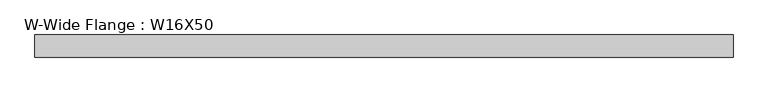
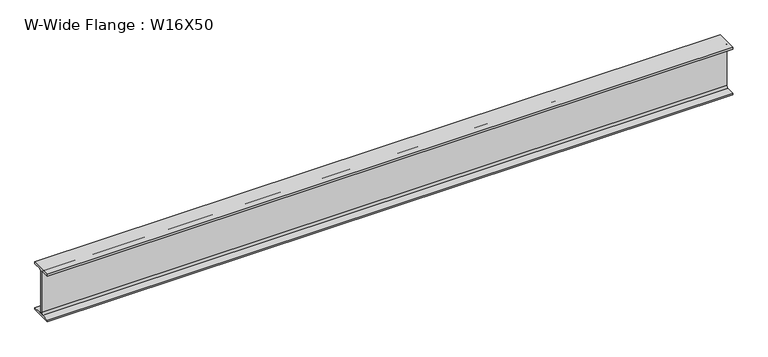
"""IFC4 building model written with IfcOpenShell, lengths in millimetres: beam geometry, W-Wide Flange : W16X50."""

import ifcopenshell
import ifcopenshell.guid

model = None  # the IFC model being written
_history = None  # IfcOwnerHistory: only IFC2X3 demands one
_inside = {}  # id of a spatial element -> (the spatial element, [elements in it])
_under = {}  # id of a project, library or spatial element -> (it, [spatial elements below it])
_declared = {}  # id of a project -> (the project, [libraries it declares])
_typed = {}  # id of a type object -> (the type object, [elements of that type])
_made_of = {}  # id of a material, layer set ... -> (it, [elements and type objects made of it])


def new_model(schema):
    """Start an empty IFC model of exactly this schema.

    Asked for "IFC4X3", IfcOpenShell would pick the latest addendum, in which some entities
    have other attributes; the version numbers below select the first issue.
    IFC2X3 requires an IfcOwnerHistory on every rooted entity: one is made here for all.
    """
    global model, _history
    if schema == "IFC4X3":
        model = ifcopenshell.file(schema_version=(4, 3, 0, 0))
    else:
        model = ifcopenshell.file(schema=schema)
    _inside.clear()
    _under.clear()
    _declared.clear()
    _typed.clear()
    _made_of.clear()
    _history = None
    if model.schema == "IFC2X3":
        org = make("IfcOrganization", Name="unknown")
        user = make(
            "IfcPersonAndOrganization",
            ThePerson=make("IfcPerson", FamilyName="unknown"),
            TheOrganization=org,
        )
        app = make(
            "IfcApplication",
            ApplicationDeveloper=org,
            Version="unknown",
            ApplicationFullName="unknown",
            ApplicationIdentifier="unknown",
        )
        _history = make(
            "IfcOwnerHistory",
            OwningUser=user,
            OwningApplication=app,
            ChangeAction="ADDED",
            CreationDate=0,
        )
    return model


def make(cls, **values):
    """One entity of the class cls with the attributes given. An attribute that is None is left unset."""
    return model.create_entity(
        cls, **{name: value for name, value in values.items() if value is not None}
    )


def rooted(cls, **values):
    """An entity with a GlobalId (a new one), such as an element, a storey or a relation."""
    return make(cls, GlobalId=ifcopenshell.guid.new(), OwnerHistory=_history, **values)


def si_unit(unit_type, name, prefix=None):
    """IfcSIUnit, for example si_unit("LENGTHUNIT", "METRE", prefix="MILLI")."""
    return make("IfcSIUnit", UnitType=unit_type, Prefix=prefix, Name=name)


def assignment(units):
    """IfcUnitAssignment: the units of a project."""
    return None if units is None else make("IfcUnitAssignment", Units=units)


def point(xyz):
    """IfcCartesianPoint."""
    return None if xyz is None else make("IfcCartesianPoint", Coordinates=xyz)


def direction(xyz):
    """IfcDirection."""
    return None if xyz is None else make("IfcDirection", DirectionRatios=xyz)


def frame(location, z_axis=None, x_axis=None):
    """IfcAxis2Placement3D, a coordinate frame: its origin and axes. An axis left out is left unset."""
    return make(
        "IfcAxis2Placement3D",
        Location=point(location),
        Axis=direction(z_axis),
        RefDirection=direction(x_axis),
    )


def frame_2d(location, x_axis=None):
    """IfcAxis2Placement2D, a coordinate frame in the plane: its origin and x axis."""
    return make(
        "IfcAxis2Placement2D", Location=point(location), RefDirection=direction(x_axis)
    )


def origin():
    """The frame at (0, 0, 0) with its axes left unset."""
    return frame((0.0, 0.0, 0.0))


def place(relative_to, where):
    """IfcLocalPlacement: puts the frame where relative to a parent placement (None: the world)."""
    return make(
        "IfcLocalPlacement", PlacementRelTo=relative_to, RelativePlacement=where
    )


def context(
    kind, dimensions, precision=None, world=None, true_north=None, identifier=None
):
    """IfcGeometricRepresentationContext, for example the 3D "Model" context."""
    return make(
        "IfcGeometricRepresentationContext",
        ContextIdentifier=identifier,
        ContextType=kind,
        CoordinateSpaceDimension=dimensions,
        Precision=precision,
        WorldCoordinateSystem=world,
        TrueNorth=true_north,
    )


def project(units=None, contexts=None):
    """IfcProject with its units and contexts."""
    return rooted(
        "IfcProject",
        Name="project",
        RepresentationContexts=contexts,
        UnitsInContext=assignment(units),
    )


def spatial(cls, under=None, at=None, **own):
    """A site, building, storey or space (cls), placed at a placement, below another one or the project."""
    s = rooted(cls, ObjectPlacement=at, **own)
    if under is not None:
        _under.setdefault(under.id(), (under, []))[1].append(s)
    return s


def polyline(points):
    """IfcPolyline through the points."""
    return make("IfcPolyline", Points=[point(p) for p in points])


def circle_curve(where, radius):
    """IfcCircle in the frame where."""
    return make("IfcCircle", Position=where, Radius=radius)


def trimmed(basis, trim1, trim2, sense, master):
    """IfcTrimmedCurve: the piece of a basis curve between two trims."""
    return make(
        "IfcTrimmedCurve",
        BasisCurve=basis,
        Trim1=trim1,
        Trim2=trim2,
        SenseAgreement=sense,
        MasterRepresentation=master,
    )


def segment(curve, same_sense, transition):
    """IfcCompositeCurveSegment."""
    return make(
        "IfcCompositeCurveSegment",
        Transition=transition,
        SameSense=same_sense,
        ParentCurve=curve,
    )


def composite_curve(segments, self_intersect=None):
    """IfcCompositeCurve: segments joined end to end."""
    return make("IfcCompositeCurve", Segments=segments, SelfIntersect=self_intersect)


def outline(outer, holes=None, kind="AREA"):
    """IfcArbitraryClosedProfileDef: a profile drawn as a closed curve; with holes, ...WithVoids."""
    if holes is None:
        return make("IfcArbitraryClosedProfileDef", ProfileType=kind, OuterCurve=outer)
    return make(
        "IfcArbitraryProfileDefWithVoids",
        ProfileType=kind,
        OuterCurve=outer,
        InnerCurves=holes,
    )


def extrude(swept, where, along, depth):
    """IfcExtrudedAreaSolid: the profile swept, set in the frame where, extruded along a direction by depth."""
    return make(
        "IfcExtrudedAreaSolid",
        SweptArea=swept,
        Position=where,
        ExtrudedDirection=direction(along),
        Depth=depth,
    )


def shape(context_of_items, identifier, shape_type, items):
    """IfcShapeRepresentation: the items that make up one representation, for example the "Body"."""
    return make(
        "IfcShapeRepresentation",
        ContextOfItems=context_of_items,
        RepresentationIdentifier=identifier,
        RepresentationType=shape_type,
        Items=items,
    )


def source(mapping_origin, context_of_items, identifier, shape_type, items):
    """IfcRepresentationMap: a shape defined once, which mapped items show again and again."""
    return make(
        "IfcRepresentationMap",
        MappingOrigin=mapping_origin,
        MappedRepresentation=shape(context_of_items, identifier, shape_type, items),
    )


def transform(
    local_origin,
    x_axis=None,
    y_axis=None,
    z_axis=None,
    scale=None,
    scale2=None,
    scale3=None,
    uniform=True,
):
    """IfcCartesianTransformationOperator3D, or its non-uniform kind. x_axis, y_axis, z_axis: its Axis1, 2, 3."""
    if uniform:
        return make(
            "IfcCartesianTransformationOperator3D",
            Axis1=direction(x_axis),
            Axis2=direction(y_axis),
            LocalOrigin=point(local_origin),
            Scale=scale,
            Axis3=direction(z_axis),
        )
    return make(
        "IfcCartesianTransformationOperator3DnonUniform",
        Axis1=direction(x_axis),
        Axis2=direction(y_axis),
        LocalOrigin=point(local_origin),
        Scale=scale,
        Axis3=direction(z_axis),
        Scale2=scale2,
        Scale3=scale3,
    )


def mapped(mapping_source, mapping_target):
    """IfcMappedItem: shows the shape of a source again, moved by a transform."""
    return make(
        "IfcMappedItem", MappingSource=mapping_source, MappingTarget=mapping_target
    )


def made_of(thing, what):
    """Note that an element or type object is made of a material, layer set ...; save() writes the relation."""
    if what is not None:
        _made_of.setdefault(what.id(), (what, []))[1].append(thing)
    return thing


def element(
    cls,
    number,
    at=None,
    inside=None,
    cuts=None,
    type_object=None,
    material=None,
    context=None,
    identifier="Body",
    shape_type=None,
    held_by="IfcProductDefinitionShape",
    body=None,
    shapes=None,
    **own,
):
    """One element of the class cls, such as IfcWall. Its Tag is "e" and its number.

    at: its placement. inside: the storey or other place that contains it. cuts: it is an
    opening in that element (IfcRelVoidsElement). A single representation is given by context,
    identifier, shape_type and body (its items); several are given by shapes. held_by: the class
    of the entity that holds the representations. save() writes the other relations.
    """
    e = rooted(cls, Tag="e%d" % number, ObjectPlacement=at, **own)
    if body is not None:
        shapes = [shape(context, identifier, shape_type, body)]
    if shapes is not None:
        e.Representation = make(held_by, Representations=shapes)
    if inside is not None:
        _inside.setdefault(inside.id(), (inside, []))[1].append(e)
    if cuts is not None:
        rooted(
            "IfcRelVoidsElement", RelatingBuildingElement=cuts, RelatedOpeningElement=e
        )
    if type_object is not None:
        _typed.setdefault(type_object.id(), (type_object, []))[1].append(e)
    return made_of(e, material)


def aggregate(whole, parts):
    """IfcRelAggregates: a whole, such as a stair, and the parts it consists of."""
    return rooted("IfcRelAggregates", RelatingObject=whole, RelatedObjects=parts)


def save(model, path):
    """Write the relations noted so far, then the file.

    IfcRelAggregates (storeys below a building ...), IfcRelContainedInSpatialStructure (elements
    in a storey), IfcRelDefinesByType, IfcRelAssociatesMaterial and IfcRelDeclares: one each for
    every whole, place, type object, material and project.
    """
    for whole, parts in _under.values():
        aggregate(whole, parts)
    for where, things in _inside.values():
        rooted(
            "IfcRelContainedInSpatialStructure",
            RelatedElements=things,
            RelatingStructure=where,
        )
    for kind, things in _typed.values():
        rooted("IfcRelDefinesByType", RelatedObjects=things, RelatingType=kind)
    for what, things in _made_of.values():
        rooted("IfcRelAssociatesMaterial", RelatedObjects=things, RelatingMaterial=what)
    for by, libraries in _declared.values():
        rooted("IfcRelDeclares", RelatingContext=by, RelatedDefinitions=libraries)
    model.write(path)


def w_wide_flange_w16x50_ec7e0fb9(model_context):
    return source(origin(), model_context, "Body", "SweptSolid", [
        extrude(outline(composite_curve([segment(polyline([(89.8, -191.0), (89.8, -207.0), (-89.8, -207.0), (-89.8, -191.0), (-22.15, -191.0)]), True, "CONTINUOUS"), segment(trimmed(circle_curve(frame_2d((-22.15, -173.7)), 17.3), [point((-22.15, -191.0))], [point((-4.85, -173.7))], True, "CARTESIAN"), True, "CONTINUOUS"), segment(polyline([(-4.85, -173.7), (-4.85, 173.7)]), True, "CONTINUOUS"), segment(trimmed(circle_curve(frame_2d((-22.15, 173.7)), 17.3), [point((-4.85, 173.7))], [point((-22.15, 191.0))], True, "CARTESIAN"), True, "CONTINUOUS"), segment(polyline([(-22.15, 191.0), (-89.8, 191.0), (-89.8, 207.0), (89.8, 207.0), (89.8, 191.0), (22.15, 191.0)]), True, "CONTINUOUS"), segment(trimmed(circle_curve(frame_2d((22.15, 173.7)), 17.3), [point((22.15, 191.0))], [point((4.85, 173.7))], True, "CARTESIAN"), True, "CONTINUOUS"), segment(polyline([(4.85, 173.7), (4.85, -173.7)]), True, "CONTINUOUS"), segment(trimmed(circle_curve(frame_2d((22.15, -173.7)), 17.3), [point((4.85, -173.7))], [point((22.15, -191.0))], True, "CARTESIAN"), True, "CONTINUOUS"), segment(polyline([(22.15, -191.0), (89.8, -191.0)]), True, "CONTINUOUS")], self_intersect=False)), frame((-2094.9171267, 0.0, 0.0), z_axis=(1.0, 0.0, 0.0), x_axis=(0.0, 1.0, 0.0)), (0.0, 0.0, 1.0), 5658.9134189),
    ])


if __name__ == "__main__":
    model = new_model("IFC4")
    model_context = context("Model", 3, world=origin())
    ifc_project = project(units=[si_unit("LENGTHUNIT", "METRE", prefix="MILLI")], contexts=[model_context])
    site = spatial("IfcSite", under=ifc_project)
    building = spatial("IfcBuilding", under=site)
    placement = place(None, origin())
    w_wide_flange_w16x50_shape = w_wide_flange_w16x50_ec7e0fb9(model_context)
    element("IfcBeam", 1, ObjectType="W-Wide Flange : W16X50", at=placement, inside=building, context=model_context, shape_type="MappedRepresentation", body=[
        mapped(w_wide_flange_w16x50_shape, transform((0.0, 0.0, 0.0), x_axis=(1.0, 0.0, 0.0), y_axis=(0.0, 1.0, 0.0), z_axis=(0.0, 0.0, 1.0))),
    ])
    save(model, "model.ifc")
